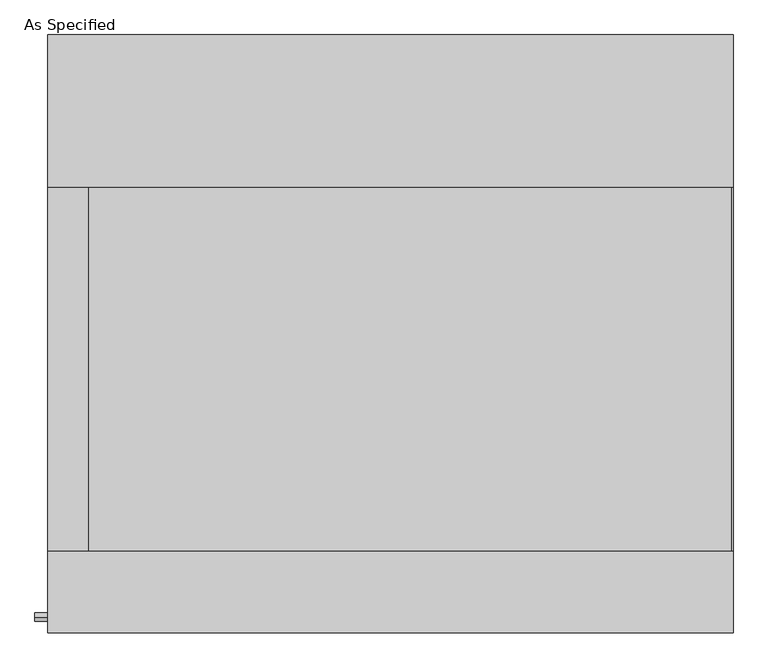
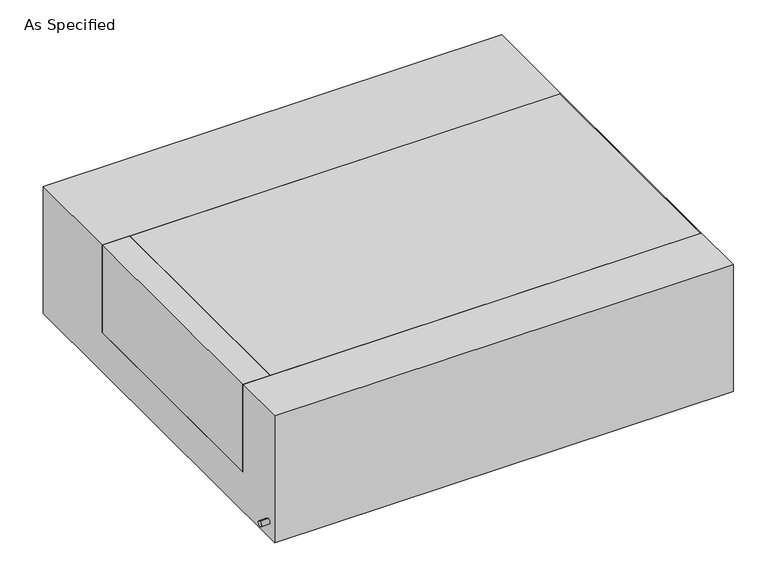
"""IFC4 building model written with IfcOpenShell, lengths in millimetres: proxy geometry, As Specified."""

from ifc_helpers import new_model, si_unit, point, frame, frame_2d, origin, place, context, project, spatial, polyline, circle_curve, trimmed, segment, composite_curve, outline, extrude, source, transform, mapped, element, save


def as_specified_16f4f9ab(model_context):
    return source(origin(), model_context, "Body", "SweptSolid", [
        extrude(outline(composite_curve([segment(trimmed(circle_curve(frame_2d((-712.7875, -466.725)), 10.5), [point((-712.7875, -456.225))], [point((-712.7875, -477.225))], False, "CARTESIAN"), True, "CONTINUOUS"), segment(trimmed(circle_curve(frame_2d((-712.7875, -466.725)), 10.5), [point((-712.7875, -477.225))], [point((-712.7875, -456.225))], False, "CARTESIAN"), True, "CONTINUOUS")], self_intersect=False)), frame((-893.8528384, 0.0, 0.0), z_axis=(1.0, 0.0, 0.0), x_axis=(0.0, 1.0, 0.0)), (0.0, 0.0, 1.0), 31.8403384),
        extrude(outline(polyline([(-759.61875, 368.3), (-759.61875, -546.1), (-862.0125, -546.1), (-862.0125, 368.3), (-759.61875, 368.3)])), frame((0.0, 0.0, -373.0625), z_axis=(0.0, 0.0, 1.0), x_axis=(1.0, 0.0, 0.0)), (0.0, 0.0, 1.0), 347.6625),
        extrude(outline(polyline([(858.04375, 368.3), (862.0125, 368.3), (862.0125, -546.1), (858.04375, -546.1), (858.04375, 368.3)])), frame((0.0, 0.0, -39.6875), z_axis=(0.0, 0.0, 1.0), x_axis=(1.0, 0.0, 0.0)), (0.0, 0.0, 1.0), 14.2875),
        extrude(outline(polyline([(862.0125, 368.3), (862.0125, -546.1), (-759.61875, -546.1), (-759.61875, 368.3), (862.0125, 368.3)])), frame((0.0, 0.0, -373.0625), z_axis=(0.0, 0.0, 1.0), x_axis=(1.0, 0.0, 0.0)), (0.0, 0.0, 1.0), 347.6625),
        extrude(outline(polyline([(752.475, -25.4), (752.475, -530.225), (-752.475, -530.225), (-752.475, -25.4), (-546.1, -25.4), (-546.1, -373.0625), (368.3, -373.0625), (368.3, -25.4), (752.475, -25.4)])), frame((-862.0125, 0.0, 0.0), z_axis=(1.0, 0.0, 0.0), x_axis=(0.0, 1.0, 0.0)), (0.0, 0.0, 1.0), 1724.025),
    ])


if __name__ == "__main__":
    model = new_model("IFC4")
    model_context = context("Model", 3, world=origin())
    ifc_project = project(units=[si_unit("LENGTHUNIT", "METRE", prefix="MILLI")], contexts=[model_context])
    site = spatial("IfcSite", under=ifc_project)
    building = spatial("IfcBuilding", under=site)
    placement = place(None, origin())
    as_specified_shape = as_specified_16f4f9ab(model_context)
    element("IfcBuildingElementProxy", 1, Name="As Specified", ObjectType="As Specified", at=placement, inside=building, context=model_context, shape_type="MappedRepresentation", body=[
        mapped(as_specified_shape, transform((0.0, 0.0, 0.0), x_axis=(1.0, 0.0, 0.0), y_axis=(0.0, 1.0, 0.0), z_axis=(0.0, 0.0, 1.0))),
    ])
    save(model, "model.ifc")
